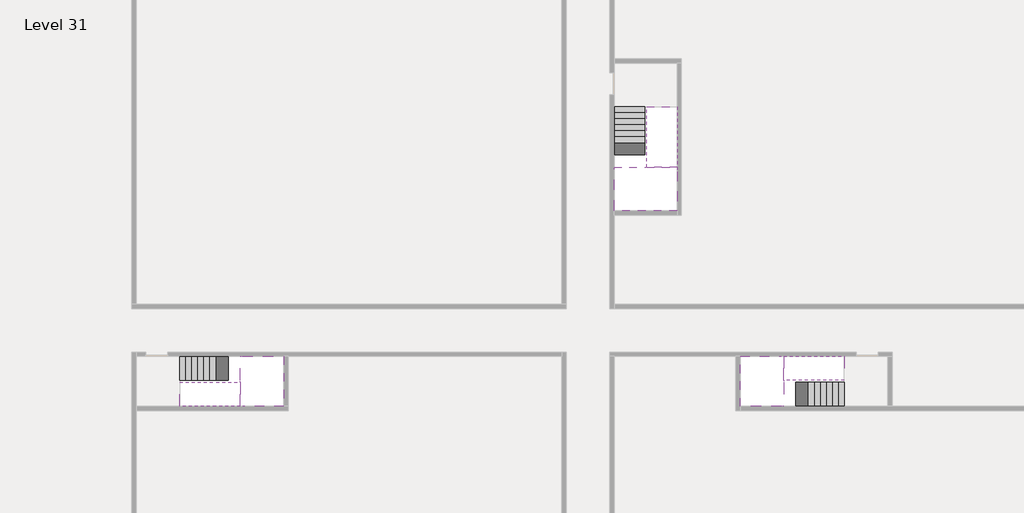
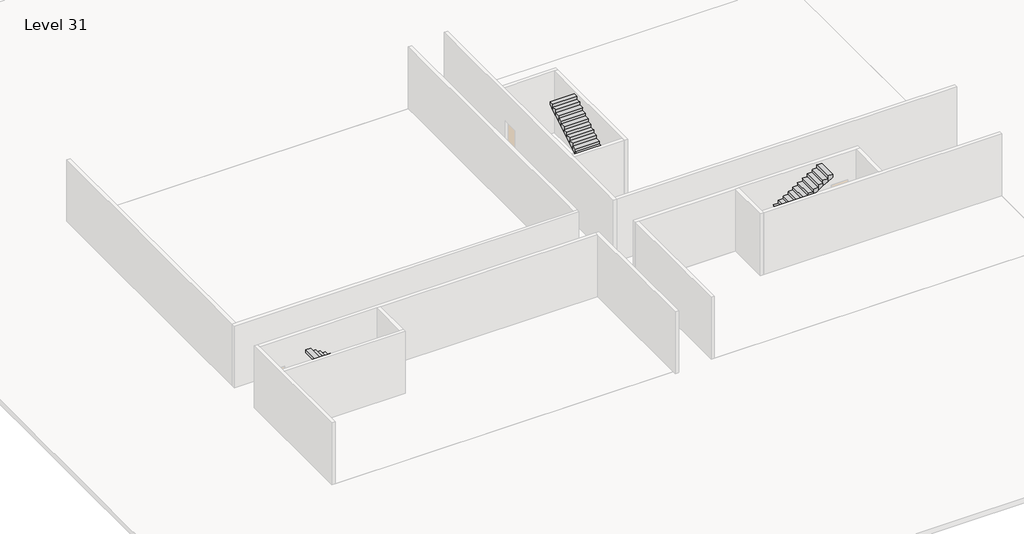
# One storey, part 2 of 2: 6 stair flights, 3 slabs.
"""IFC4 building model written with IfcOpenShell, lengths in millimetres."""

from ifc_helpers import new_model, si_unit, origin, place, context, project, spatial, faceted_brep, element, save

model = new_model("IFC4")

# Units and contexts
model_context = context("Model", 3, world=origin())
ifc_project = project(units=[si_unit("LENGTHUNIT", "METRE", prefix="MILLI")], contexts=[model_context])

# Site, building, storey
site = spatial("IfcSite", under=ifc_project)
building = spatial("IfcBuilding", under=site)
storey = spatial("IfcBuildingStorey", under=building, Name="Level 31", Elevation=114000.0)

# Slabs
placement = place(None, origin())
element("IfcSlab", 1, at=placement, inside=storey, context=model_context, shape_type="Brep", body=[
    faceted_brep([(8190.1058784, -42918.09644, 115900.0), (8190.1058784, -44018.09644, 115900.0), (8190.1058784, -44118.09644, 115900.0), (8190.1058784, -45218.09644, 115900.0), (8390.7194421, -45218.09644, 115900.0), (10190.1058784, -45218.09644, 115900.0), (10190.1058784, -42918.09644, 115900.0), (8269.4923146, -42918.09644, 115900.0), (8190.1058784, -42918.09644, 115727.2727273), (8190.1058784, -42918.09644, 115551.0278478), (8190.1058784, -44018.09644, 115551.0278478), (8190.1058784, -44018.09644, 115600.0), (8190.1058784, -44118.09644, 115600.0), (8190.1058784, -44118.09644, 115723.7551205), (8190.1058784, -45218.09644, 115723.7551205), (8390.7194421, -45218.09644, 115600.0), (10190.1058784, -45218.09644, 115600.0), (10190.1058784, -42918.09644, 115600.0), (8269.4923146, -42918.09644, 115600.0), (8390.7194421, -44118.09644, 115600.0), (8269.4923146, -44018.09644, 115600.0)], [[[0, 1, 2, 3, 4, 5, 6, 7]], [[1, 0, 8, 9, 10, 11]], [[2, 1, 11, 12, 13]], [[3, 2, 13, 14]], [[3, 14, 15, 16, 5, 4]], [[6, 5, 16, 17]], [[9, 8, 0, 7, 6, 17, 18]], [[19, 12, 11, 20, 18, 17, 16, 15]], [[12, 19, 13]], [[18, 20, 10, 9]], [[20, 11, 10]], [[19, 15, 14, 13]]]),
])
element("IfcSlab", 2, at=placement, inside=storey, context=model_context, shape_type="Brep", body=[
    faceted_brep([(33190.1058784, -45218.09644, 115900.0), (33190.1058784, -44118.09644, 115900.0), (33190.1058784, -44018.09644, 115900.0), (33190.1058784, -42918.09644, 115900.0), (32989.4923146, -42918.09644, 115900.0), (31190.1058784, -42918.09644, 115900.0), (31190.1058784, -45218.09644, 115900.0), (33110.7194421, -45218.09644, 115900.0), (33190.1058784, -45218.09644, 115727.2727273), (33190.1058784, -45218.09644, 115551.0278478), (33190.1058784, -44118.09644, 115551.0278478), (33190.1058784, -44118.09644, 115600.0), (33190.1058784, -44018.09644, 115600.0), (33190.1058784, -44018.09644, 115723.7551205), (33190.1058784, -42918.09644, 115723.7551205), (32989.4923146, -42918.09644, 115600.0), (31190.1058784, -42918.09644, 115600.0), (31190.1058784, -45218.09644, 115600.0), (33110.7194421, -45218.09644, 115600.0), (32989.4923146, -44018.09644, 115600.0), (33110.7194421, -44118.09644, 115600.0)], [[[0, 1, 2, 3, 4, 5, 6, 7]], [[1, 0, 8, 9, 10, 11]], [[2, 1, 11, 12, 13]], [[3, 2, 13, 14]], [[3, 14, 15, 16, 5, 4]], [[6, 5, 16, 17]], [[9, 8, 0, 7, 6, 17, 18]], [[19, 12, 11, 20, 18, 17, 16, 15]], [[12, 19, 13]], [[18, 20, 10, 9]], [[20, 11, 10]], [[19, 15, 14, 13]]]),
])
element("IfcSlab", 3, at=placement, inside=storey, context=model_context, shape_type="Brep", body=[
    faceted_brep([(26790.1058784, -34218.09644, 115900.0), (25390.1058784, -34218.09644, 115900.0), (25390.1058784, -34297.4828763, 115900.0), (25390.1058784, -36218.09644, 115900.0), (28290.1058784, -36218.09644, 115900.0), (28290.1058784, -34418.7100038, 115900.0), (28290.1058784, -34218.09644, 115900.0), (26890.1058784, -34218.09644, 115900.0), (26790.1058784, -34218.09644, 115600.0), (26790.1058784, -34218.09644, 115551.0278478), (25390.1058784, -34218.09644, 115551.0278478), (25390.1058784, -34218.09644, 115727.2727273), (25390.1058784, -34297.4828763, 115600.0), (25390.1058784, -36218.09644, 115600.0), (28290.1058784, -36218.09644, 115600.0), (28290.1058784, -34418.7100038, 115600.0), (28290.1058784, -34218.09644, 115723.7551205), (26890.1058784, -34218.09644, 115723.7551205), (26890.1058784, -34218.09644, 115600.0), (26890.1058784, -34418.7100038, 115600.0), (26790.1058784, -34297.4828763, 115600.0)], [[[0, 1, 2, 3, 4, 5, 6, 7]], [[1, 0, 8, 9, 10, 11]], [[1, 11, 10, 12, 13, 3, 2]], [[4, 3, 13, 14]], [[4, 14, 15, 16, 6, 5]], [[7, 6, 16, 17]], [[0, 7, 17, 18, 8]], [[18, 19, 15, 14, 13, 12, 20, 8]], [[19, 18, 17]], [[20, 12, 10, 9]], [[8, 20, 9]], [[15, 19, 17, 16]]]),
])

# Stair flights
element("IfcStairFlight", 4, at=placement, inside=storey, context=model_context, shape_type="Brep", body=[
    faceted_brep([(5670.1058784, -42918.09644, 114172.7272727), (5390.1058784, -42918.09644, 114172.7272727), (5390.1058784, -44018.09644, 114172.7272727), (5670.1058784, -44018.09644, 114172.7272727), (5670.1058784, -42918.09644, 114000.0), (5390.1058784, -42918.09644, 114000.0), (5390.1058784, -44018.09644, 114000.0), (5670.1058784, -44018.09644, 114000.0), (5950.1058784, -42918.09644, 114345.4545455), (5670.1058784, -42918.09644, 114345.4545455), (5670.1058784, -44018.09644, 114345.4545455), (5950.1058784, -44018.09644, 114345.4545455), (5950.1058784, -42918.09644, 114169.209666), (5675.8081041, -42918.09644, 114000.0), (5675.8081041, -44018.09644, 114000.0), (5950.1058784, -44018.09644, 114169.209666), (6230.1058784, -42918.09644, 114518.1818182), (5950.1058784, -42918.09644, 114518.1818182), (5950.1058784, -44018.09644, 114518.1818182), (6230.1058784, -44018.09644, 114518.1818182), (6230.1058784, -42918.09644, 114341.9369387), (6230.1058784, -44018.09644, 114341.9369387), (6510.1058784, -42918.09644, 114690.9090909), (6230.1058784, -42918.09644, 114690.9090909), (6230.1058784, -44018.09644, 114690.9090909), (6510.1058784, -44018.09644, 114690.9090909), (6510.1058784, -42918.09644, 114514.6642114), (6510.1058784, -44018.09644, 114514.6642114), (6790.1058784, -42918.09644, 114863.6363636), (6510.1058784, -42918.09644, 114863.6363636), (6510.1058784, -44018.09644, 114863.6363636), (6790.1058784, -44018.09644, 114863.6363636), (6790.1058784, -42918.09644, 114687.3914841), (6790.1058784, -44018.09644, 114687.3914841), (7070.1058784, -42918.09644, 115036.3636364), (6790.1058784, -42918.09644, 115036.3636364), (6790.1058784, -44018.09644, 115036.3636364), (7070.1058784, -44018.09644, 115036.3636364), (7070.1058784, -42918.09644, 114860.1187569), (7070.1058784, -44018.09644, 114860.1187569), (7350.1058784, -42918.09644, 115209.0909091), (7070.1058784, -42918.09644, 115209.0909091), (7070.1058784, -44018.09644, 115209.0909091), (7350.1058784, -44018.09644, 115209.0909091), (7350.1058784, -42918.09644, 115032.8460296), (7350.1058784, -44018.09644, 115032.8460296), (7630.1058784, -42918.09644, 115381.8181818), (7350.1058784, -42918.09644, 115381.8181818), (7350.1058784, -44018.09644, 115381.8181818), (7630.1058784, -44018.09644, 115381.8181818), (7630.1058784, -42918.09644, 115205.5733023), (7630.1058784, -44018.09644, 115205.5733023), (7910.1058784, -42918.09644, 115554.5454545), (7630.1058784, -42918.09644, 115554.5454545), (7630.1058784, -44018.09644, 115554.5454545), (7910.1058784, -44018.09644, 115554.5454545), (7910.1058784, -42918.09644, 115378.3005751), (7910.1058784, -44018.09644, 115378.3005751), (8190.1058784, -42918.09644, 115727.2727273), (7910.1058784, -42918.09644, 115727.2727273), (7910.1058784, -44018.09644, 115727.2727273), (8190.1058784, -44018.09644, 115727.2727273), (8190.1058784, -42918.09644, 115551.0278478), (8190.1058784, -44018.09644, 115551.0278478), (8190.1058784, -44018.09644, 115600.0)], [[[0, 1, 2, 3]], [[1, 0, 4, 5]], [[2, 1, 5, 6]], [[3, 2, 6, 7]], [[8, 9, 10, 11]], [[4, 0, 9, 8, 12, 13]], [[0, 3, 10, 9]], [[3, 7, 14, 15, 11, 10]], [[16, 17, 18, 19]], [[17, 16, 20, 12, 8]], [[8, 11, 18, 17]], [[19, 18, 11, 15, 21]], [[22, 23, 24, 25]], [[23, 22, 26, 20, 16]], [[16, 19, 24, 23]], [[25, 24, 19, 21, 27]], [[28, 29, 30, 31]], [[29, 28, 32, 26, 22]], [[22, 25, 30, 29]], [[31, 30, 25, 27, 33]], [[34, 35, 36, 37]], [[35, 34, 38, 32, 28]], [[28, 31, 36, 35]], [[37, 36, 31, 33, 39]], [[40, 41, 42, 43]], [[41, 40, 44, 38, 34]], [[34, 37, 42, 41]], [[43, 42, 37, 39, 45]], [[46, 47, 48, 49]], [[47, 46, 50, 44, 40]], [[40, 43, 48, 47]], [[49, 48, 43, 45, 51]], [[52, 53, 54, 55]], [[53, 52, 56, 50, 46]], [[46, 49, 54, 53]], [[55, 54, 49, 51, 57]], [[58, 59, 60, 61]], [[59, 58, 62, 56, 52]], [[52, 55, 60, 59]], [[61, 60, 55, 57, 63, 64]], [[58, 61, 64, 63, 62]], [[5, 4, 13, 14, 7, 6]], [[14, 13, 12, 20, 26, 32, 38, 44, 50, 56, 62, 63, 57, 51, 45, 39, 33, 27, 21, 15]]]),
])
element("IfcStairFlight", 5, at=placement, inside=storey, context=model_context, shape_type="Brep", body=[
    faceted_brep([(7910.1058784, -45218.09644, 116072.7272727), (8190.1058784, -45218.09644, 116072.7272727), (8190.1058784, -44118.09644, 116072.7272727), (7910.1058784, -44118.09644, 116072.7272727), (7910.1058784, -45218.09644, 115896.4823932), (8190.1058784, -45218.09644, 115723.7551205), (8190.1058784, -45218.09644, 115900.0), (8190.1058784, -44118.09644, 115723.7551205), (7910.1058784, -44118.09644, 115896.4823932), (7630.1058784, -45218.09644, 116245.4545455), (7910.1058784, -45218.09644, 116245.4545455), (7910.1058784, -44118.09644, 116245.4545455), (7630.1058784, -44118.09644, 116245.4545455), (7630.1058784, -45218.09644, 116069.209666), (7630.1058784, -44118.09644, 116069.209666), (7350.1058784, -45218.09644, 116418.1818182), (7630.1058784, -45218.09644, 116418.1818182), (7630.1058784, -44118.09644, 116418.1818182), (7350.1058784, -44118.09644, 116418.1818182), (7350.1058784, -45218.09644, 116241.9369387), (7350.1058784, -44118.09644, 116241.9369387), (7070.1058784, -45218.09644, 116590.9090909), (7350.1058784, -45218.09644, 116590.9090909), (7350.1058784, -44118.09644, 116590.9090909), (7070.1058784, -44118.09644, 116590.9090909), (7070.1058784, -45218.09644, 116414.6642114), (7070.1058784, -44118.09644, 116414.6642114), (6790.1058784, -45218.09644, 116763.6363636), (7070.1058784, -45218.09644, 116763.6363636), (7070.1058784, -44118.09644, 116763.6363636), (6790.1058784, -44118.09644, 116763.6363636), (6790.1058784, -45218.09644, 116587.3914841), (6790.1058784, -44118.09644, 116587.3914841), (6510.1058784, -45218.09644, 116936.3636364), (6790.1058784, -45218.09644, 116936.3636364), (6790.1058784, -44118.09644, 116936.3636364), (6510.1058784, -44118.09644, 116936.3636364), (6510.1058784, -45218.09644, 116760.1187569), (6510.1058784, -44118.09644, 116760.1187569), (6230.1058784, -45218.09644, 117109.0909091), (6510.1058784, -45218.09644, 117109.0909091), (6510.1058784, -44118.09644, 117109.0909091), (6230.1058784, -44118.09644, 117109.0909091), (6230.1058784, -45218.09644, 116932.8460296), (6230.1058784, -44118.09644, 116932.8460296), (5950.1058784, -45218.09644, 117281.8181818), (6230.1058784, -45218.09644, 117281.8181818), (6230.1058784, -44118.09644, 117281.8181818), (5950.1058784, -44118.09644, 117281.8181818), (5950.1058784, -45218.09644, 117105.5733023), (5950.1058784, -44118.09644, 117105.5733023), (5670.1058784, -45218.09644, 117454.5454545), (5950.1058784, -45218.09644, 117454.5454545), (5950.1058784, -44118.09644, 117454.5454545), (5670.1058784, -44118.09644, 117454.5454545), (5670.1058784, -45218.09644, 117278.3005751), (5670.1058784, -44118.09644, 117278.3005751), (5390.1058784, -45218.09644, 117627.2727273), (5670.1058784, -45218.09644, 117627.2727273), (5670.1058784, -44118.09644, 117627.2727273), (5390.1058784, -44118.09644, 117627.2727273), (5390.1058784, -45218.09644, 117451.0278478), (5390.1058784, -44118.09644, 117451.0278478)], [[[0, 1, 2, 3]], [[1, 0, 4, 5, 6]], [[2, 1, 6, 5, 7]], [[3, 2, 7, 8]], [[9, 10, 11, 12]], [[10, 9, 13, 4, 0]], [[11, 10, 0, 3]], [[12, 11, 3, 8, 14]], [[15, 16, 17, 18]], [[16, 15, 19, 13, 9]], [[17, 16, 9, 12]], [[18, 17, 12, 14, 20]], [[21, 22, 23, 24]], [[22, 21, 25, 19, 15]], [[23, 22, 15, 18]], [[24, 23, 18, 20, 26]], [[27, 28, 29, 30]], [[28, 27, 31, 25, 21]], [[29, 28, 21, 24]], [[30, 29, 24, 26, 32]], [[33, 34, 35, 36]], [[34, 33, 37, 31, 27]], [[35, 34, 27, 30]], [[36, 35, 30, 32, 38]], [[39, 40, 41, 42]], [[40, 39, 43, 37, 33]], [[41, 40, 33, 36]], [[42, 41, 36, 38, 44]], [[45, 46, 47, 48]], [[46, 45, 49, 43, 39]], [[47, 46, 39, 42]], [[48, 47, 42, 44, 50]], [[51, 52, 53, 54]], [[52, 51, 55, 49, 45]], [[53, 52, 45, 48]], [[54, 53, 48, 50, 56]], [[57, 58, 59, 60]], [[58, 57, 61, 55, 51]], [[59, 58, 51, 54]], [[60, 59, 54, 56, 62]], [[57, 60, 62, 61]], [[5, 4, 13, 19, 25, 31, 37, 43, 49, 55, 61, 62, 56, 50, 44, 38, 32, 26, 20, 14, 8, 7]]]),
])
element("IfcStairFlight", 6, at=placement, inside=storey, context=model_context, shape_type="Brep", body=[
    faceted_brep([(35710.1058784, -45218.09644, 114172.7272727), (35990.1058784, -45218.09644, 114172.7272727), (35990.1058784, -44118.09644, 114172.7272727), (35710.1058784, -44118.09644, 114172.7272727), (35710.1058784, -45218.09644, 114000.0), (35990.1058784, -45218.09644, 114000.0), (35990.1058784, -44118.09644, 114000.0), (35710.1058784, -44118.09644, 114000.0), (35430.1058784, -45218.09644, 114345.4545455), (35710.1058784, -45218.09644, 114345.4545455), (35710.1058784, -44118.09644, 114345.4545455), (35430.1058784, -44118.09644, 114345.4545455), (35430.1058784, -45218.09644, 114169.209666), (35704.4036527, -45218.09644, 114000.0), (35704.4036527, -44118.09644, 114000.0), (35430.1058784, -44118.09644, 114169.209666), (35150.1058784, -45218.09644, 114518.1818182), (35430.1058784, -45218.09644, 114518.1818182), (35430.1058784, -44118.09644, 114518.1818182), (35150.1058784, -44118.09644, 114518.1818182), (35150.1058784, -45218.09644, 114341.9369387), (35150.1058784, -44118.09644, 114341.9369387), (34870.1058784, -45218.09644, 114690.9090909), (35150.1058784, -45218.09644, 114690.9090909), (35150.1058784, -44118.09644, 114690.9090909), (34870.1058784, -44118.09644, 114690.9090909), (34870.1058784, -45218.09644, 114514.6642114), (34870.1058784, -44118.09644, 114514.6642114), (34590.1058784, -45218.09644, 114863.6363636), (34870.1058784, -45218.09644, 114863.6363636), (34870.1058784, -44118.09644, 114863.6363636), (34590.1058784, -44118.09644, 114863.6363636), (34590.1058784, -45218.09644, 114687.3914841), (34590.1058784, -44118.09644, 114687.3914841), (34310.1058784, -45218.09644, 115036.3636364), (34590.1058784, -45218.09644, 115036.3636364), (34590.1058784, -44118.09644, 115036.3636364), (34310.1058784, -44118.09644, 115036.3636364), (34310.1058784, -45218.09644, 114860.1187569), (34310.1058784, -44118.09644, 114860.1187569), (34030.1058784, -45218.09644, 115209.0909091), (34310.1058784, -45218.09644, 115209.0909091), (34310.1058784, -44118.09644, 115209.0909091), (34030.1058784, -44118.09644, 115209.0909091), (34030.1058784, -45218.09644, 115032.8460296), (34030.1058784, -44118.09644, 115032.8460296), (33750.1058784, -45218.09644, 115381.8181818), (34030.1058784, -45218.09644, 115381.8181818), (34030.1058784, -44118.09644, 115381.8181818), (33750.1058784, -44118.09644, 115381.8181818), (33750.1058784, -45218.09644, 115205.5733023), (33750.1058784, -44118.09644, 115205.5733023), (33470.1058784, -45218.09644, 115554.5454545), (33750.1058784, -45218.09644, 115554.5454545), (33750.1058784, -44118.09644, 115554.5454545), (33470.1058784, -44118.09644, 115554.5454545), (33470.1058784, -45218.09644, 115378.3005751), (33470.1058784, -44118.09644, 115378.3005751), (33190.1058784, -45218.09644, 115727.2727273), (33470.1058784, -45218.09644, 115727.2727273), (33470.1058784, -44118.09644, 115727.2727273), (33190.1058784, -44118.09644, 115727.2727273), (33190.1058784, -45218.09644, 115551.0278478), (33190.1058784, -44118.09644, 115551.0278478), (33190.1058784, -44118.09644, 115600.0)], [[[0, 1, 2, 3]], [[1, 0, 4, 5]], [[2, 1, 5, 6]], [[3, 2, 6, 7]], [[8, 9, 10, 11]], [[4, 0, 9, 8, 12, 13]], [[0, 3, 10, 9]], [[3, 7, 14, 15, 11, 10]], [[16, 17, 18, 19]], [[17, 16, 20, 12, 8]], [[8, 11, 18, 17]], [[19, 18, 11, 15, 21]], [[22, 23, 24, 25]], [[23, 22, 26, 20, 16]], [[16, 19, 24, 23]], [[25, 24, 19, 21, 27]], [[28, 29, 30, 31]], [[29, 28, 32, 26, 22]], [[22, 25, 30, 29]], [[31, 30, 25, 27, 33]], [[34, 35, 36, 37]], [[35, 34, 38, 32, 28]], [[28, 31, 36, 35]], [[37, 36, 31, 33, 39]], [[40, 41, 42, 43]], [[41, 40, 44, 38, 34]], [[34, 37, 42, 41]], [[43, 42, 37, 39, 45]], [[46, 47, 48, 49]], [[47, 46, 50, 44, 40]], [[40, 43, 48, 47]], [[49, 48, 43, 45, 51]], [[52, 53, 54, 55]], [[53, 52, 56, 50, 46]], [[46, 49, 54, 53]], [[55, 54, 49, 51, 57]], [[58, 59, 60, 61]], [[59, 58, 62, 56, 52]], [[52, 55, 60, 59]], [[61, 60, 55, 57, 63, 64]], [[58, 61, 64, 63, 62]], [[5, 4, 13, 14, 7, 6]], [[14, 13, 12, 20, 26, 32, 38, 44, 50, 56, 62, 63, 57, 51, 45, 39, 33, 27, 21, 15]]]),
])
element("IfcStairFlight", 7, at=placement, inside=storey, context=model_context, shape_type="Brep", body=[
    faceted_brep([(33470.1058784, -42918.09644, 116072.7272727), (33190.1058784, -42918.09644, 116072.7272727), (33190.1058784, -44018.09644, 116072.7272727), (33470.1058784, -44018.09644, 116072.7272727), (33470.1058784, -42918.09644, 115896.4823932), (33190.1058784, -42918.09644, 115723.7551205), (33190.1058784, -42918.09644, 115900.0), (33190.1058784, -44018.09644, 115723.7551205), (33470.1058784, -44018.09644, 115896.4823932), (33750.1058784, -42918.09644, 116245.4545455), (33470.1058784, -42918.09644, 116245.4545455), (33470.1058784, -44018.09644, 116245.4545455), (33750.1058784, -44018.09644, 116245.4545455), (33750.1058784, -42918.09644, 116069.209666), (33750.1058784, -44018.09644, 116069.209666), (34030.1058784, -42918.09644, 116418.1818182), (33750.1058784, -42918.09644, 116418.1818182), (33750.1058784, -44018.09644, 116418.1818182), (34030.1058784, -44018.09644, 116418.1818182), (34030.1058784, -42918.09644, 116241.9369387), (34030.1058784, -44018.09644, 116241.9369387), (34310.1058784, -42918.09644, 116590.9090909), (34030.1058784, -42918.09644, 116590.9090909), (34030.1058784, -44018.09644, 116590.9090909), (34310.1058784, -44018.09644, 116590.9090909), (34310.1058784, -42918.09644, 116414.6642114), (34310.1058784, -44018.09644, 116414.6642114), (34590.1058784, -42918.09644, 116763.6363636), (34310.1058784, -42918.09644, 116763.6363636), (34310.1058784, -44018.09644, 116763.6363636), (34590.1058784, -44018.09644, 116763.6363636), (34590.1058784, -42918.09644, 116587.3914841), (34590.1058784, -44018.09644, 116587.3914841), (34870.1058784, -42918.09644, 116936.3636364), (34590.1058784, -42918.09644, 116936.3636364), (34590.1058784, -44018.09644, 116936.3636364), (34870.1058784, -44018.09644, 116936.3636364), (34870.1058784, -42918.09644, 116760.1187569), (34870.1058784, -44018.09644, 116760.1187569), (35150.1058784, -42918.09644, 117109.0909091), (34870.1058784, -42918.09644, 117109.0909091), (34870.1058784, -44018.09644, 117109.0909091), (35150.1058784, -44018.09644, 117109.0909091), (35150.1058784, -42918.09644, 116932.8460296), (35150.1058784, -44018.09644, 116932.8460296), (35430.1058784, -42918.09644, 117281.8181818), (35150.1058784, -42918.09644, 117281.8181818), (35150.1058784, -44018.09644, 117281.8181818), (35430.1058784, -44018.09644, 117281.8181818), (35430.1058784, -42918.09644, 117105.5733023), (35430.1058784, -44018.09644, 117105.5733023), (35710.1058784, -42918.09644, 117454.5454545), (35430.1058784, -42918.09644, 117454.5454545), (35430.1058784, -44018.09644, 117454.5454545), (35710.1058784, -44018.09644, 117454.5454545), (35710.1058784, -42918.09644, 117278.3005751), (35710.1058784, -44018.09644, 117278.3005751), (35990.1058784, -42918.09644, 117627.2727273), (35710.1058784, -42918.09644, 117627.2727273), (35710.1058784, -44018.09644, 117627.2727273), (35990.1058784, -44018.09644, 117627.2727273), (35990.1058784, -42918.09644, 117451.0278478), (35990.1058784, -44018.09644, 117451.0278478)], [[[0, 1, 2, 3]], [[1, 0, 4, 5, 6]], [[2, 1, 6, 5, 7]], [[3, 2, 7, 8]], [[9, 10, 11, 12]], [[10, 9, 13, 4, 0]], [[11, 10, 0, 3]], [[12, 11, 3, 8, 14]], [[15, 16, 17, 18]], [[16, 15, 19, 13, 9]], [[17, 16, 9, 12]], [[18, 17, 12, 14, 20]], [[21, 22, 23, 24]], [[22, 21, 25, 19, 15]], [[23, 22, 15, 18]], [[24, 23, 18, 20, 26]], [[27, 28, 29, 30]], [[28, 27, 31, 25, 21]], [[29, 28, 21, 24]], [[30, 29, 24, 26, 32]], [[33, 34, 35, 36]], [[34, 33, 37, 31, 27]], [[35, 34, 27, 30]], [[36, 35, 30, 32, 38]], [[39, 40, 41, 42]], [[40, 39, 43, 37, 33]], [[41, 40, 33, 36]], [[42, 41, 36, 38, 44]], [[45, 46, 47, 48]], [[46, 45, 49, 43, 39]], [[47, 46, 39, 42]], [[48, 47, 42, 44, 50]], [[51, 52, 53, 54]], [[52, 51, 55, 49, 45]], [[53, 52, 45, 48]], [[54, 53, 48, 50, 56]], [[57, 58, 59, 60]], [[58, 57, 61, 55, 51]], [[59, 58, 51, 54]], [[60, 59, 54, 56, 62]], [[57, 60, 62, 61]], [[5, 4, 13, 19, 25, 31, 37, 43, 49, 55, 61, 62, 56, 50, 44, 38, 32, 26, 20, 14, 8, 7]]]),
])
element("IfcStairFlight", 8, at=placement, inside=storey, context=model_context, shape_type="Brep", body=[
    faceted_brep([(26790.1058784, -31698.09644, 114172.7272727), (26790.1058784, -31418.09644, 114172.7272727), (25390.1058784, -31418.09644, 114172.7272727), (25390.1058784, -31698.09644, 114172.7272727), (26790.1058784, -31698.09644, 114000.0), (26790.1058784, -31418.09644, 114000.0), (25390.1058784, -31418.09644, 114000.0), (25390.1058784, -31698.09644, 114000.0), (26790.1058784, -31978.09644, 114345.4545455), (26790.1058784, -31698.09644, 114345.4545455), (25390.1058784, -31698.09644, 114345.4545455), (25390.1058784, -31978.09644, 114345.4545455), (26790.1058784, -31978.09644, 114169.209666), (26790.1058784, -31703.7986657, 114000.0), (25390.1058784, -31703.7986657, 114000.0), (25390.1058784, -31978.09644, 114169.209666), (26790.1058784, -32258.09644, 114518.1818182), (26790.1058784, -31978.09644, 114518.1818182), (25390.1058784, -31978.09644, 114518.1818182), (25390.1058784, -32258.09644, 114518.1818182), (26790.1058784, -32258.09644, 114341.9369387), (25390.1058784, -32258.09644, 114341.9369387), (26790.1058784, -32538.09644, 114690.9090909), (26790.1058784, -32258.09644, 114690.9090909), (25390.1058784, -32258.09644, 114690.9090909), (25390.1058784, -32538.09644, 114690.9090909), (26790.1058784, -32538.09644, 114514.6642114), (25390.1058784, -32538.09644, 114514.6642114), (26790.1058784, -32818.09644, 114863.6363636), (26790.1058784, -32538.09644, 114863.6363636), (25390.1058784, -32538.09644, 114863.6363636), (25390.1058784, -32818.09644, 114863.6363636), (26790.1058784, -32818.09644, 114687.3914841), (25390.1058784, -32818.09644, 114687.3914841), (26790.1058784, -33098.09644, 115036.3636364), (26790.1058784, -32818.09644, 115036.3636364), (25390.1058784, -32818.09644, 115036.3636364), (25390.1058784, -33098.09644, 115036.3636364), (26790.1058784, -33098.09644, 114860.1187569), (25390.1058784, -33098.09644, 114860.1187569), (26790.1058784, -33378.09644, 115209.0909091), (26790.1058784, -33098.09644, 115209.0909091), (25390.1058784, -33098.09644, 115209.0909091), (25390.1058784, -33378.09644, 115209.0909091), (26790.1058784, -33378.09644, 115032.8460296), (25390.1058784, -33378.09644, 115032.8460296), (26790.1058784, -33658.09644, 115381.8181818), (26790.1058784, -33378.09644, 115381.8181818), (25390.1058784, -33378.09644, 115381.8181818), (25390.1058784, -33658.09644, 115381.8181818), (26790.1058784, -33658.09644, 115205.5733023), (25390.1058784, -33658.09644, 115205.5733023), (26790.1058784, -33938.09644, 115554.5454545), (26790.1058784, -33658.09644, 115554.5454545), (25390.1058784, -33658.09644, 115554.5454545), (25390.1058784, -33938.09644, 115554.5454545), (26790.1058784, -33938.09644, 115378.3005751), (25390.1058784, -33938.09644, 115378.3005751), (26790.1058784, -34218.09644, 115727.2727273), (26790.1058784, -33938.09644, 115727.2727273), (25390.1058784, -33938.09644, 115727.2727273), (25390.1058784, -34218.09644, 115727.2727273), (26790.1058784, -34218.09644, 115600.0), (26790.1058784, -34218.09644, 115551.0278478), (25390.1058784, -34218.09644, 115551.0278478)], [[[0, 1, 2, 3]], [[1, 0, 4, 5]], [[2, 1, 5, 6]], [[3, 2, 6, 7]], [[8, 9, 10, 11]], [[4, 0, 9, 8, 12, 13]], [[0, 3, 10, 9]], [[3, 7, 14, 15, 11, 10]], [[16, 17, 18, 19]], [[17, 16, 20, 12, 8]], [[8, 11, 18, 17]], [[19, 18, 11, 15, 21]], [[22, 23, 24, 25]], [[23, 22, 26, 20, 16]], [[16, 19, 24, 23]], [[25, 24, 19, 21, 27]], [[28, 29, 30, 31]], [[29, 28, 32, 26, 22]], [[22, 25, 30, 29]], [[31, 30, 25, 27, 33]], [[34, 35, 36, 37]], [[35, 34, 38, 32, 28]], [[28, 31, 36, 35]], [[37, 36, 31, 33, 39]], [[40, 41, 42, 43]], [[41, 40, 44, 38, 34]], [[34, 37, 42, 41]], [[43, 42, 37, 39, 45]], [[46, 47, 48, 49]], [[47, 46, 50, 44, 40]], [[40, 43, 48, 47]], [[49, 48, 43, 45, 51]], [[52, 53, 54, 55]], [[53, 52, 56, 50, 46]], [[46, 49, 54, 53]], [[55, 54, 49, 51, 57]], [[58, 59, 60, 61]], [[59, 58, 62, 63, 56, 52]], [[52, 55, 60, 59]], [[61, 60, 55, 57, 64]], [[58, 61, 64, 63, 62]], [[5, 4, 13, 14, 7, 6]], [[14, 13, 12, 20, 26, 32, 38, 44, 50, 56, 63, 64, 57, 51, 45, 39, 33, 27, 21, 15]]]),
])
element("IfcStairFlight", 9, at=placement, inside=storey, context=model_context, shape_type="Brep", body=[
    faceted_brep([(26890.1058784, -33938.09644, 116072.7272727), (26890.1058784, -34218.09644, 116072.7272727), (28290.1058784, -34218.09644, 116072.7272727), (28290.1058784, -33938.09644, 116072.7272727), (26890.1058784, -33938.09644, 115896.4823932), (26890.1058784, -34218.09644, 115723.7551205), (28290.1058784, -34218.09644, 115723.7551205), (28290.1058784, -34218.09644, 115900.0), (28290.1058784, -33938.09644, 115896.4823932), (26890.1058784, -33658.09644, 116245.4545455), (26890.1058784, -33938.09644, 116245.4545455), (28290.1058784, -33938.09644, 116245.4545455), (28290.1058784, -33658.09644, 116245.4545455), (26890.1058784, -33658.09644, 116069.209666), (28290.1058784, -33658.09644, 116069.209666), (26890.1058784, -33378.09644, 116418.1818182), (26890.1058784, -33658.09644, 116418.1818182), (28290.1058784, -33658.09644, 116418.1818182), (28290.1058784, -33378.09644, 116418.1818182), (26890.1058784, -33378.09644, 116241.9369387), (28290.1058784, -33378.09644, 116241.9369387), (26890.1058784, -33098.09644, 116590.9090909), (26890.1058784, -33378.09644, 116590.9090909), (28290.1058784, -33378.09644, 116590.9090909), (28290.1058784, -33098.09644, 116590.9090909), (26890.1058784, -33098.09644, 116414.6642114), (28290.1058784, -33098.09644, 116414.6642114), (26890.1058784, -32818.09644, 116763.6363636), (26890.1058784, -33098.09644, 116763.6363636), (28290.1058784, -33098.09644, 116763.6363636), (28290.1058784, -32818.09644, 116763.6363636), (26890.1058784, -32818.09644, 116587.3914841), (28290.1058784, -32818.09644, 116587.3914841), (26890.1058784, -32538.09644, 116936.3636364), (26890.1058784, -32818.09644, 116936.3636364), (28290.1058784, -32818.09644, 116936.3636364), (28290.1058784, -32538.09644, 116936.3636364), (26890.1058784, -32538.09644, 116760.1187569), (28290.1058784, -32538.09644, 116760.1187569), (26890.1058784, -32258.09644, 117109.0909091), (26890.1058784, -32538.09644, 117109.0909091), (28290.1058784, -32538.09644, 117109.0909091), (28290.1058784, -32258.09644, 117109.0909091), (26890.1058784, -32258.09644, 116932.8460296), (28290.1058784, -32258.09644, 116932.8460296), (26890.1058784, -31978.09644, 117281.8181818), (26890.1058784, -32258.09644, 117281.8181818), (28290.1058784, -32258.09644, 117281.8181818), (28290.1058784, -31978.09644, 117281.8181818), (26890.1058784, -31978.09644, 117105.5733023), (28290.1058784, -31978.09644, 117105.5733023), (26890.1058784, -31698.09644, 117454.5454545), (26890.1058784, -31978.09644, 117454.5454545), (28290.1058784, -31978.09644, 117454.5454545), (28290.1058784, -31698.09644, 117454.5454545), (26890.1058784, -31698.09644, 117278.3005751), (28290.1058784, -31698.09644, 117278.3005751), (26890.1058784, -31418.09644, 117627.2727273), (26890.1058784, -31698.09644, 117627.2727273), (28290.1058784, -31698.09644, 117627.2727273), (28290.1058784, -31418.09644, 117627.2727273), (26890.1058784, -31418.09644, 117451.0278478), (28290.1058784, -31418.09644, 117451.0278478)], [[[0, 1, 2, 3]], [[1, 0, 4, 5]], [[2, 1, 5, 6, 7]], [[3, 2, 7, 6, 8]], [[9, 10, 11, 12]], [[10, 9, 13, 4, 0]], [[11, 10, 0, 3]], [[12, 11, 3, 8, 14]], [[15, 16, 17, 18]], [[16, 15, 19, 13, 9]], [[17, 16, 9, 12]], [[18, 17, 12, 14, 20]], [[21, 22, 23, 24]], [[22, 21, 25, 19, 15]], [[23, 22, 15, 18]], [[24, 23, 18, 20, 26]], [[27, 28, 29, 30]], [[28, 27, 31, 25, 21]], [[29, 28, 21, 24]], [[30, 29, 24, 26, 32]], [[33, 34, 35, 36]], [[34, 33, 37, 31, 27]], [[35, 34, 27, 30]], [[36, 35, 30, 32, 38]], [[39, 40, 41, 42]], [[40, 39, 43, 37, 33]], [[41, 40, 33, 36]], [[42, 41, 36, 38, 44]], [[45, 46, 47, 48]], [[46, 45, 49, 43, 39]], [[47, 46, 39, 42]], [[48, 47, 42, 44, 50]], [[51, 52, 53, 54]], [[52, 51, 55, 49, 45]], [[53, 52, 45, 48]], [[54, 53, 48, 50, 56]], [[57, 58, 59, 60]], [[58, 57, 61, 55, 51]], [[59, 58, 51, 54]], [[60, 59, 54, 56, 62]], [[57, 60, 62, 61]], [[5, 4, 13, 19, 25, 31, 37, 43, 49, 55, 61, 62, 56, 50, 44, 38, 32, 26, 20, 14, 8, 6]]]),
])

save(model, "model.ifc")
